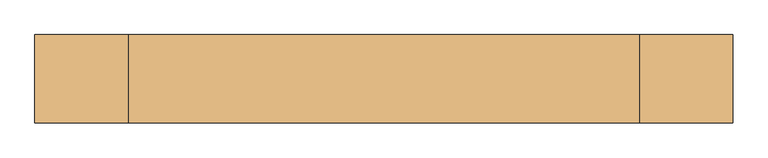
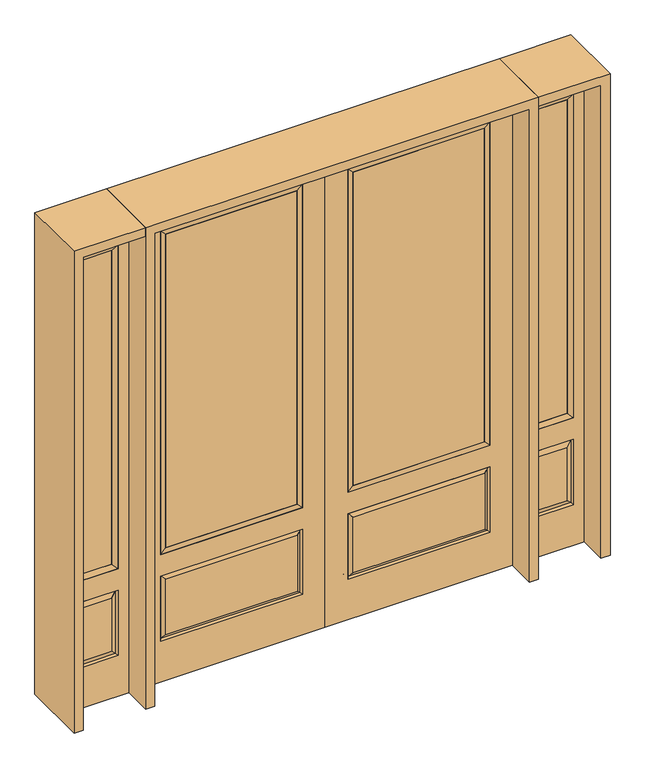
"""IFC4 building model written with IfcOpenShell, lengths in millimetres: door geometry."""

from ifc_helpers import new_model, si_unit, frame, origin, place, context, project, spatial, polyline, outline, extrude, faceted_brep, source, transform, mapped, element, save


def door_688e4555(model_context):
    return source(origin(), model_context, "Body", "SolidModel", [
        extrude(outline(polyline([(136.525, -20.32), (136.525, 5.08), (777.875, 5.08), (777.875, -20.32), (136.525, -20.32)])), frame((0.0, 0.0, 682.498), z_axis=(0.0, 0.0, 1.0), x_axis=(1.0, 0.0, 0.0)), (0.0, 0.0, 1.0), 1616.202),
        faceted_brep([(796.1661499, -12.7912373, 216.6588501), (778.66875, -22.225, 234.15625), (135.73125, -22.225, 234.15625), (118.2338501, -12.7912373, 216.6588501), (111.125, -22.225, 209.55), (803.275, -22.225, 209.55), (803.275, -22.225, 546.1), (796.1661499, -12.7912373, 538.9911499), (0.0, -22.225, 2438.4), (0.0, -22.225, 0.0), (914.4, -22.225, 0.0), (914.4, -22.225, 2438.4), (111.125, -22.225, 546.1), (111.125, -22.225, 2324.1), (803.275, -22.225, 2324.1), (803.275, -22.225, 657.098), (111.125, -22.225, 657.098), (778.66875, -22.225, 521.49375), (135.73125, -22.225, 521.49375), (118.2338501, -12.7912373, 538.9911499), (914.4, 22.225, 0.0), (914.4, 22.225, 2438.4), (0.0, 22.225, 0.0), (0.0, 22.225, 2438.4), (111.125, 22.225, 657.098), (111.125, 22.225, 2324.1), (803.275, 22.225, 657.098), (803.275, 22.225, 2324.1), (135.73125, 22.225, 234.15625), (135.73125, 22.225, 521.49375), (778.66875, 22.225, 521.49375), (778.66875, 22.225, 234.15625), (803.275, 22.225, 209.55), (803.275, 22.225, 546.1), (111.125, 22.225, 546.1), (111.125, 22.225, 209.55), (118.2338501, 12.7912373, 216.6588501), (796.1661499, 12.7912373, 216.6588501), (118.2338501, 12.7912373, 538.9911499), (796.1661499, 12.7912373, 538.9911499)], [[[0, 1, 2, 3]], [[3, 4, 5, 0]], [[5, 6, 7, 0]], [[8, 9, 10, 11], [4, 12, 6, 5], [13, 14, 15, 16]], [[1, 17, 18, 2]], [[3, 19, 12, 4]], [[2, 18, 19, 3]], [[0, 7, 17, 1]], [[6, 12, 19, 7]], [[7, 19, 18, 17]], [[10, 20, 21, 11]], [[9, 22, 20, 10]], [[8, 23, 22, 9]], [[16, 24, 25, 13]], [[15, 26, 24, 16]], [[14, 27, 26, 15]], [[28, 29, 30, 31]], [[23, 21, 20, 22], [25, 24, 26, 27], [32, 33, 34, 35]], [[32, 35, 36, 37]], [[35, 34, 38, 36]], [[39, 38, 34, 33]], [[37, 39, 33, 32]], [[36, 28, 31, 37]], [[31, 30, 39, 37]], [[30, 29, 38, 39]], [[36, 38, 29, 28]], [[11, 21, 23, 8]], [[13, 25, 27, 14]]]),
        faceted_brep([(803.275, -22.225, 2324.1), (803.275, -22.225, 657.098), (803.275, 22.225, 657.098), (803.275, 22.225, 2324.1), (111.125, -22.225, 657.098), (111.125, 22.225, 657.098), (136.525, 5.08, 682.498), (777.875, 5.08, 682.498), (111.125, -22.225, 2324.1), (111.125, 22.225, 2324.1), (777.875, -20.32, 682.498), (136.525, -20.32, 682.498), (777.875, -20.32, 2298.7), (136.525, -20.32, 2298.7), (777.875, 5.08, 2298.7), (136.525, 5.08, 2298.7)], [[[0, 1, 2, 3]], [[1, 4, 5, 2]], [[2, 5, 6, 7]], [[4, 8, 9, 5]], [[10, 11, 4, 1]], [[12, 10, 1, 0]], [[11, 13, 8, 4]], [[7, 6, 11, 10]], [[14, 7, 10, 12]], [[6, 15, 13, 11]], [[3, 2, 7, 14]], [[5, 9, 15, 6]], [[8, 0, 3, 9]], [[13, 12, 0, 8]], [[15, 14, 12, 13]], [[9, 3, 14, 15]]]),
        faceted_brep([(958.85, -22.225, 0.0), (1263.65, -22.225, 0.0), (1263.65, -22.225, 2438.4), (958.85, -22.225, 2438.4), (1211.58, -22.225, 2325.624), (1211.58, -22.225, 657.098), (1010.92, -22.225, 657.098), (1010.92, -22.225, 2325.624), (1211.58, -22.225, 209.55), (1010.92, -22.225, 209.55), (1010.92, -22.225, 546.1), (1211.58, -22.225, 546.1), (1042.6351001, -22.225, 241.2651001), (1179.8648999, -22.225, 241.2651001), (1179.8648999, -22.225, 514.3848999), (1042.6351001, -22.225, 514.3848999), (958.85, 22.225, 0.0), (958.85, 22.225, 2438.4), (1263.65, 22.225, 2438.4), (1263.65, 22.225, 0.0), (1211.58, 22.225, 2325.624), (1010.92, 22.225, 2325.624), (1010.92, 22.225, 657.098), (1211.58, 22.225, 657.098), (1010.92, 22.225, 209.55), (1211.58, 22.225, 209.55), (1211.58, 22.225, 546.1), (1010.92, 22.225, 546.1), (1179.8648999, 22.225, 241.2651001), (1042.6351001, 22.225, 241.2651001), (1042.6351001, 22.225, 514.3848999), (1179.8648999, 22.225, 514.3848999), (1204.4711499, 12.7912373, 216.6588501), (1018.0288501, 12.7912373, 216.6588501), (1018.0288501, 12.7912373, 538.9911499), (1204.4711499, 12.7912373, 538.9911499), (1018.0288501, -12.7912373, 216.6588501), (1204.4711499, -12.7912373, 216.6588501), (1018.0288501, -12.7912373, 538.9911499), (1204.4711499, -12.7912373, 538.9911499)], [[[0, 1, 2, 3], [4, 5, 6, 7], [8, 9, 10, 11]], [[12, 13, 14, 15]], [[16, 17, 18, 19], [20, 21, 22, 23], [24, 25, 26, 27]], [[28, 29, 30, 31]], [[1, 0, 16, 19]], [[2, 1, 19, 18]], [[3, 2, 18, 17]], [[0, 3, 17, 16]], [[5, 4, 20, 23]], [[6, 5, 23, 22]], [[7, 6, 22, 21]], [[4, 7, 21, 20]], [[32, 33, 29, 28]], [[33, 32, 25, 24]], [[29, 33, 34, 30]], [[33, 24, 27, 34]], [[30, 34, 35, 31]], [[34, 27, 26, 35]], [[32, 28, 31, 35]], [[25, 32, 35, 26]], [[12, 36, 37, 13]], [[37, 36, 9, 8]], [[36, 12, 15, 38]], [[9, 36, 38, 10]], [[38, 15, 14, 39]], [[10, 38, 39, 11]], [[13, 37, 39, 14]], [[37, 8, 11, 39]]]),
        faceted_brep([(1010.92, 22.225, 2325.624), (1010.92, -22.225, 2325.624), (1211.58, -22.225, 2325.624), (1211.58, 22.225, 2325.624), (1036.32, 12.7, 2300.224), (1186.18, 12.7, 2300.224), (1036.32, -12.7, 2300.224), (1186.18, -12.7, 2300.224), (1211.58, -22.225, 657.098), (1211.58, 22.225, 657.098), (1186.18, 12.7, 682.498), (1186.18, -12.7, 682.498), (1010.92, -22.225, 657.098), (1010.92, 22.225, 657.098), (1036.32, 12.7, 682.498), (1036.32, -12.7, 682.498)], [[[0, 1, 2, 3]], [[4, 0, 3, 5]], [[6, 4, 5, 7]], [[1, 6, 7, 2]], [[3, 2, 8, 9]], [[5, 3, 9, 10]], [[7, 5, 10, 11]], [[2, 7, 11, 8]], [[9, 8, 12, 13]], [[10, 9, 13, 14]], [[11, 10, 14, 15]], [[8, 11, 15, 12]], [[13, 12, 1, 0]], [[14, 13, 0, 4]], [[15, 14, 4, 6]], [[12, 15, 6, 1]]]),
        extrude(outline(polyline([(1186.18, -12.7), (1036.32, -12.7), (1036.32, 12.7), (1186.18, 12.7), (1186.18, -12.7)])), frame((0.0, 0.0, 682.498), z_axis=(0.0, 0.0, 1.0), x_axis=(1.0, 0.0, 0.0)), (0.0, 0.0, 1.0), 1617.726),
        faceted_brep([(-1263.65, -22.225, 0.0), (-958.85, -22.225, 0.0), (-958.85, -22.225, 2438.4), (-1263.65, -22.225, 2438.4), (-1010.92, -22.225, 2325.624), (-1010.92, -22.225, 657.098), (-1211.58, -22.225, 657.098), (-1211.58, -22.225, 2325.624), (-1010.92, -22.225, 209.55), (-1211.58, -22.225, 209.55), (-1211.58, -22.225, 546.1), (-1010.92, -22.225, 546.1), (-1179.8648999, -22.225, 241.2651001), (-1042.6351001, -22.225, 241.2651001), (-1042.6351001, -22.225, 514.3848999), (-1179.8648999, -22.225, 514.3848999), (-1263.65, 22.225, 0.0), (-1263.65, 22.225, 2438.4), (-958.85, 22.225, 2438.4), (-958.85, 22.225, 0.0), (-1010.92, 22.225, 2325.624), (-1211.58, 22.225, 2325.624), (-1211.58, 22.225, 657.098), (-1010.92, 22.225, 657.098), (-1211.58, 22.225, 209.55), (-1010.92, 22.225, 209.55), (-1010.92, 22.225, 546.1), (-1211.58, 22.225, 546.1), (-1042.6351001, 22.225, 241.2651001), (-1179.8648999, 22.225, 241.2651001), (-1179.8648999, 22.225, 514.3848999), (-1042.6351001, 22.225, 514.3848999), (-1018.0288501, 12.7912373, 216.6588501), (-1204.4711499, 12.7912373, 216.6588501), (-1204.4711499, 12.7912373, 538.9911499), (-1018.0288501, 12.7912373, 538.9911499), (-1204.4711499, -12.7912373, 216.6588501), (-1018.0288501, -12.7912373, 216.6588501), (-1204.4711499, -12.7912373, 538.9911499), (-1018.0288501, -12.7912373, 538.9911499)], [[[0, 1, 2, 3], [4, 5, 6, 7], [8, 9, 10, 11]], [[12, 13, 14, 15]], [[16, 17, 18, 19], [20, 21, 22, 23], [24, 25, 26, 27]], [[28, 29, 30, 31]], [[1, 0, 16, 19]], [[2, 1, 19, 18]], [[3, 2, 18, 17]], [[0, 3, 17, 16]], [[5, 4, 20, 23]], [[6, 5, 23, 22]], [[7, 6, 22, 21]], [[4, 7, 21, 20]], [[32, 33, 29, 28]], [[33, 32, 25, 24]], [[29, 33, 34, 30]], [[33, 24, 27, 34]], [[30, 34, 35, 31]], [[34, 27, 26, 35]], [[32, 28, 31, 35]], [[25, 32, 35, 26]], [[12, 36, 37, 13]], [[37, 36, 9, 8]], [[36, 12, 15, 38]], [[9, 36, 38, 10]], [[38, 15, 14, 39]], [[10, 38, 39, 11]], [[13, 37, 39, 14]], [[37, 8, 11, 39]]]),
        faceted_brep([(-1211.58, 22.225, 2325.624), (-1211.58, -22.225, 2325.624), (-1010.92, -22.225, 2325.624), (-1010.92, 22.225, 2325.624), (-1186.18, 12.7, 2300.224), (-1036.32, 12.7, 2300.224), (-1186.18, -12.7, 2300.224), (-1036.32, -12.7, 2300.224), (-1010.92, -22.225, 657.098), (-1010.92, 22.225, 657.098), (-1036.32, 12.7, 682.498), (-1036.32, -12.7, 682.498), (-1211.58, -22.225, 657.098), (-1211.58, 22.225, 657.098), (-1186.18, 12.7, 682.498), (-1186.18, -12.7, 682.498)], [[[0, 1, 2, 3]], [[4, 0, 3, 5]], [[6, 4, 5, 7]], [[1, 6, 7, 2]], [[3, 2, 8, 9]], [[5, 3, 9, 10]], [[7, 5, 10, 11]], [[2, 7, 11, 8]], [[9, 8, 12, 13]], [[10, 9, 13, 14]], [[11, 10, 14, 15]], [[8, 11, 15, 12]], [[13, 12, 1, 0]], [[14, 13, 0, 4]], [[15, 14, 4, 6]], [[12, 15, 6, 1]]]),
        extrude(outline(polyline([(-1036.32, -12.7), (-1186.18, -12.7), (-1186.18, 12.7), (-1036.32, 12.7), (-1036.32, -12.7)])), frame((0.0, 0.0, 682.498), z_axis=(0.0, 0.0, 1.0), x_axis=(1.0, 0.0, 0.0)), (0.0, 0.0, 1.0), 1617.726),
        extrude(outline(polyline([(-136.525, -20.32), (-777.875, -20.32), (-777.875, 5.08), (-136.525, 5.08), (-136.525, -20.32)])), frame((0.0, 0.0, 682.498), z_axis=(0.0, 0.0, 1.0), x_axis=(1.0, 0.0, 0.0)), (0.0, 0.0, 1.0), 1616.202),
        faceted_brep([(-796.1661499, -12.7912373, 216.6588501), (-118.2338501, -12.7912373, 216.6588501), (-135.73125, -22.225, 234.15625), (-778.66875, -22.225, 234.15625), (-803.275, -22.225, 209.55), (-111.125, -22.225, 209.55), (-796.1661499, -12.7912373, 538.9911499), (-803.275, -22.225, 546.1), (-135.73125, -22.225, 521.49375), (-778.66875, -22.225, 521.49375), (0.0, -22.225, 2438.4), (-914.4, -22.225, 2438.4), (-914.4, -22.225, 0.0), (0.0, -22.225, 0.0), (-111.125, -22.225, 546.1), (-111.125, -22.225, 2324.1), (-111.125, -22.225, 657.098), (-803.275, -22.225, 657.098), (-803.275, -22.225, 2324.1), (-118.2338501, -12.7912373, 538.9911499), (-914.4, 22.225, 2438.4), (-914.4, 22.225, 0.0), (0.0, 22.225, 0.0), (0.0, 22.225, 2438.4), (-111.125, 22.225, 2324.1), (-111.125, 22.225, 657.098), (-803.275, 22.225, 657.098), (-803.275, 22.225, 2324.1), (-803.275, 22.225, 209.55), (-111.125, 22.225, 209.55), (-111.125, 22.225, 546.1), (-803.275, 22.225, 546.1), (-135.73125, 22.225, 234.15625), (-778.66875, 22.225, 234.15625), (-778.66875, 22.225, 521.49375), (-135.73125, 22.225, 521.49375), (-796.1661499, 12.7912373, 216.6588501), (-118.2338501, 12.7912373, 216.6588501), (-118.2338501, 12.7912373, 538.9911499), (-796.1661499, 12.7912373, 538.9911499)], [[[0, 1, 2, 3]], [[1, 0, 4, 5]], [[4, 0, 6, 7]], [[3, 2, 8, 9]], [[10, 11, 12, 13], [5, 4, 7, 14], [15, 16, 17, 18]], [[1, 5, 14, 19]], [[2, 1, 19, 8]], [[0, 3, 9, 6]], [[7, 6, 19, 14]], [[6, 9, 8, 19]], [[12, 11, 20, 21]], [[13, 12, 21, 22]], [[10, 13, 22, 23]], [[16, 15, 24, 25]], [[17, 16, 25, 26]], [[18, 17, 26, 27]], [[23, 22, 21, 20], [28, 29, 30, 31], [24, 27, 26, 25]], [[32, 33, 34, 35]], [[28, 36, 37, 29]], [[29, 37, 38, 30]], [[39, 31, 30, 38]], [[36, 28, 31, 39]], [[37, 36, 33, 32]], [[33, 36, 39, 34]], [[34, 39, 38, 35]], [[37, 32, 35, 38]], [[11, 10, 23, 20]], [[15, 18, 27, 24]]]),
        faceted_brep([(-803.275, -22.225, 2324.1), (-803.275, 22.225, 2324.1), (-803.275, 22.225, 657.098), (-803.275, -22.225, 657.098), (-111.125, 22.225, 657.098), (-111.125, -22.225, 657.098), (-777.875, 5.08, 682.498), (-136.525, 5.08, 682.498), (-111.125, 22.225, 2324.1), (-111.125, -22.225, 2324.1), (-777.875, -20.32, 682.498), (-136.525, -20.32, 682.498), (-777.875, -20.32, 2298.7), (-136.525, -20.32, 2298.7), (-777.875, 5.08, 2298.7), (-136.525, 5.08, 2298.7)], [[[0, 1, 2, 3]], [[3, 2, 4, 5]], [[2, 6, 7, 4]], [[5, 4, 8, 9]], [[10, 3, 5, 11]], [[12, 0, 3, 10]], [[11, 5, 9, 13]], [[6, 10, 11, 7]], [[14, 12, 10, 6]], [[7, 11, 13, 15]], [[1, 14, 6, 2]], [[4, 7, 15, 8]], [[9, 8, 1, 0]], [[13, 9, 0, 12]], [[15, 13, 12, 14]], [[8, 15, 14, 1]]]),
        extrude(outline(polyline([(2438.4, -958.85), (2482.85, -958.85), (2482.85, -1308.1), (0.0, -1308.1), (0.0, -1263.65), (2438.4, -1263.65), (2438.4, -958.85)])), frame((0.0, -165.1, 0.0), z_axis=(0.0, 1.0, 0.0), x_axis=(0.0, 0.0, 1.0)), (0.0, 0.0, 1.0), 330.2),
        extrude(outline(polyline([(2482.85, -958.85), (0.0, -958.85), (0.0, -914.4), (2438.4, -914.4), (2438.4, 914.4), (0.0, 914.4), (0.0, 958.85), (2482.85, 958.85), (2482.85, -958.85)])), frame((0.0, -165.1, 0.0), z_axis=(0.0, 1.0, 0.0), x_axis=(0.0, 0.0, 1.0)), (0.0, 0.0, 1.0), 330.2),
        extrude(outline(polyline([(0.0, 1263.65), (0.0, 1308.1), (2482.85, 1308.1), (2482.85, 958.85), (2438.4, 958.85), (2438.4, 1263.65), (0.0, 1263.65)])), frame((0.0, -165.1, 0.0), z_axis=(0.0, 1.0, 0.0), x_axis=(0.0, 0.0, 1.0)), (0.0, 0.0, 1.0), 330.2),
    ])


if __name__ == "__main__":
    model = new_model("IFC4")
    model_context = context("Model", 3, world=origin())
    ifc_project = project(units=[si_unit("LENGTHUNIT", "METRE", prefix="MILLI")], contexts=[model_context])
    site = spatial("IfcSite", under=ifc_project)
    building = spatial("IfcBuilding", under=site)
    placement = place(None, origin())
    door_shape = door_688e4555(model_context)
    element("IfcDoor", 1, at=placement, inside=building, context=model_context, shape_type="MappedRepresentation", body=[
        mapped(door_shape, transform((0.0, 0.0, 0.0), x_axis=(1.0, 0.0, 0.0), y_axis=(0.0, 1.0, 0.0), z_axis=(0.0, 0.0, 1.0))),
    ])
    save(model, "model.ifc")
